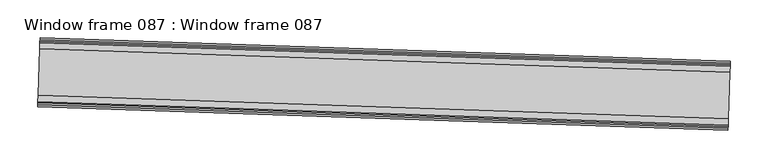
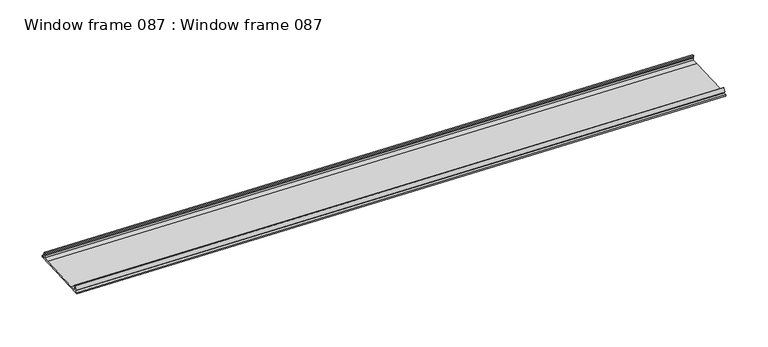
"""IFC4 building model written with IfcOpenShell, lengths in millimetres: proxy geometry, Window frame 087 : Window frame 087."""

from ifc_helpers import new_model, si_unit, frame, origin, place, context, project, spatial, polyline, outline, extrude, source, transform, mapped, element, save


def window_frame_087_window_frame_087_6d1566ba(model_context):
    return source(origin(), model_context, "Body", "SweptSolid", [
        extrude(outline(polyline([(4.3180001, 0.0), (4.31673, 2.1844), (2.7419301, 2.1844), (4.74853, 7.6962), (6.4195422, 7.0880013), (5.3806822, 4.2432013), (6.0960001, 3.0734), (6.0960001, 0.0), (14.3827501, 0.0), (76.3003301, -7.43e-05), (85.08873, -7.43e-05), (85.08873, 3.0734), (85.7926178, 4.2432013), (84.7639179, 7.0880013), (86.43493, 7.6962), (88.44153, 2.1844), (86.8667301, 2.1844), (86.8667301, 0.0), (91.18473, 0.0), (91.18473, -2.032), (0.0, -2.032), (0.0, 0.0), (4.3180001, 0.0)])), frame((34355.7120576, -15437.2606177, 1154.6411508), z_axis=(-0.9994149479162574, 0.03420178184750921, 0.0), x_axis=(-0.03420178184750921, -0.9994149479162574, 0.0)), (0.0, 0.0, 1.0), 914.4),
    ])


if __name__ == "__main__":
    model = new_model("IFC4")
    model_context = context("Model", 3, world=origin())
    ifc_project = project(units=[si_unit("LENGTHUNIT", "METRE", prefix="MILLI")], contexts=[model_context])
    site = spatial("IfcSite", under=ifc_project)
    building = spatial("IfcBuilding", under=site)
    placement = place(None, origin())
    window_frame_087_window_frame_087_shape = window_frame_087_window_frame_087_6d1566ba(model_context)
    element("IfcBuildingElementProxy", 1, Name="Window frame 087 : Window frame 087", ObjectType="Window frame 087 : Window frame 087", at=placement, inside=building, context=model_context, shape_type="MappedRepresentation", body=[
        mapped(window_frame_087_window_frame_087_shape, transform((0.0, 0.0, 0.0), x_axis=(1.0, 0.0, 0.0), y_axis=(0.0, 1.0, 0.0), z_axis=(0.0, 0.0, 1.0))),
    ])
    save(model, "model.ifc")
